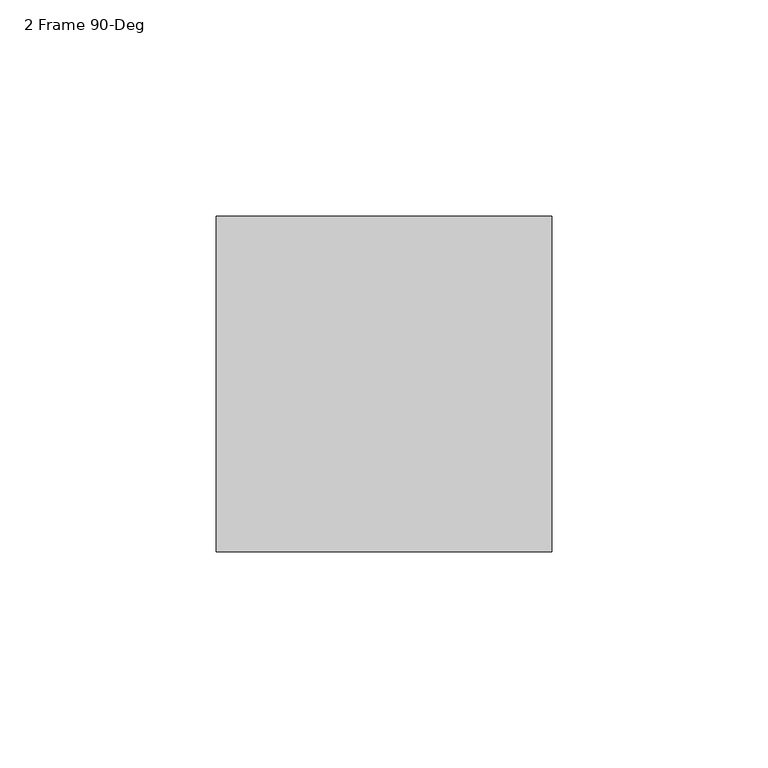
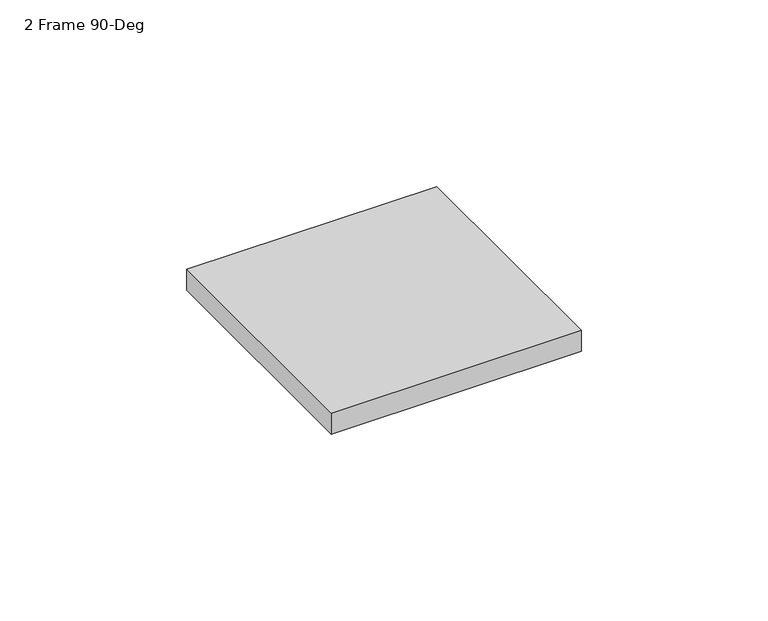
"""IFC4 building model written with IfcOpenShell, lengths in millimetres: furniture geometry, 2 Frame 90-Deg."""

from ifc_helpers import new_model, si_unit, frame, origin, place, context, project, spatial, polyline, outline, extrude, source, transform, mapped, element, save


def furniture_2_frame_90_deg_ac1d9b07(model_context):
    return source(origin(), model_context, "Body", "SweptSolid", [
        extrude(outline(polyline([(-283.31795, 38.7477), (-283.31795, -38.7223), (-360.78795, -38.7223), (-360.78795, 38.7477), (-283.31795, 38.7477)])), frame((0.0, 0.0, 870.966), z_axis=(0.0, 0.0, 1.0), x_axis=(1.0, 0.0, 0.0)), (0.0, 0.0, 1.0), 6.858),
    ])


if __name__ == "__main__":
    model = new_model("IFC4")
    model_context = context("Model", 3, world=origin())
    ifc_project = project(units=[si_unit("LENGTHUNIT", "METRE", prefix="MILLI")], contexts=[model_context])
    site = spatial("IfcSite", under=ifc_project)
    building = spatial("IfcBuilding", under=site)
    placement = place(None, origin())
    furniture_2_frame_90_deg_shape = furniture_2_frame_90_deg_ac1d9b07(model_context)
    element("IfcFurniture", 1, ObjectType="2 Frame 90-Deg", at=placement, inside=building, context=model_context, shape_type="MappedRepresentation", body=[
        mapped(furniture_2_frame_90_deg_shape, transform((0.0, 0.0, 0.0), x_axis=(1.0, 0.0, 0.0), y_axis=(0.0, 1.0, 0.0), z_axis=(0.0, 0.0, 1.0))),
    ])
    save(model, "model.ifc")
